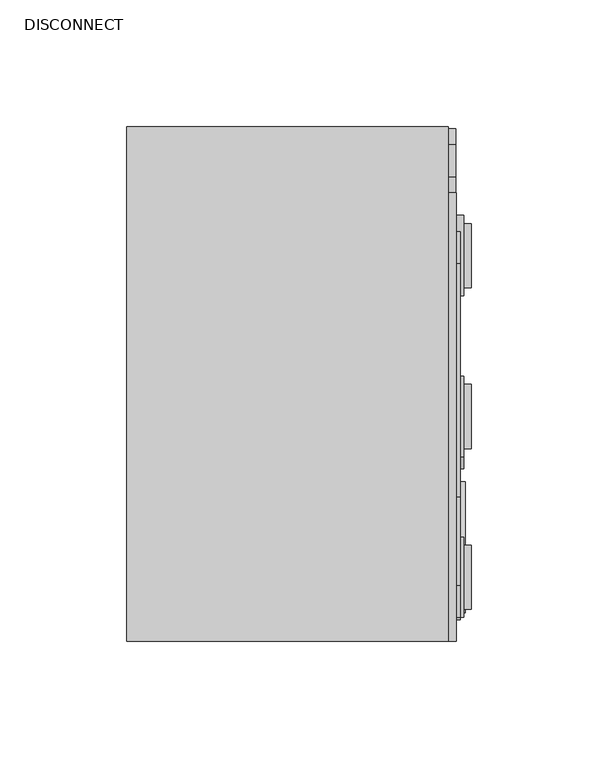
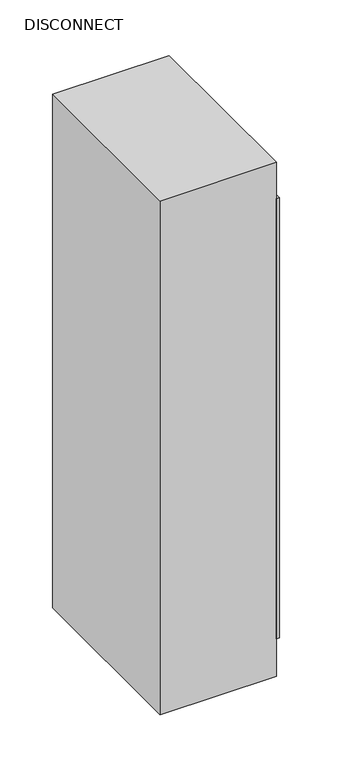
"""IFC4 building model written with IfcOpenShell, lengths in millimetres: proxy geometry, DISCONNECT."""

from ifc_helpers import new_model, si_unit, point, frame, frame_2d, origin, place, context, project, spatial, polyline, circle_curve, trimmed, segment, composite_curve, outline, extrude, source, transform, mapped, element, save


def disconnect_73e00d81(model_context):
    return source(origin(), model_context, "Body", "SweptSolid", [
        extrude(outline(composite_curve([segment(trimmed(circle_curve(frame_2d((95.0359845, 1472.4912783)), 6.35), [point((95.0359845, 1478.8412783))], [point((101.3859845, 1472.4912783))], False, "CARTESIAN"), True, "CONTINUOUS"), segment(polyline([(101.3859845, 1472.4912783), (101.3859845, 1434.3912783)]), True, "CONTINUOUS"), segment(trimmed(circle_curve(frame_2d((95.0359845, 1434.3912783)), 6.35), [point((101.3859845, 1434.3912783))], [point((95.0359845, 1428.0412783))], False, "CARTESIAN"), True, "CONTINUOUS"), segment(polyline([(95.0359845, 1428.0412783), (82.3359845, 1428.0412783)]), True, "CONTINUOUS"), segment(trimmed(circle_curve(frame_2d((82.3359845, 1434.3912783)), 6.35), [point((82.3359845, 1428.0412783))], [point((75.9859845, 1434.3912783))], False, "CARTESIAN"), True, "CONTINUOUS"), segment(polyline([(75.9859845, 1434.3912783), (75.9859845, 1472.4912783)]), True, "CONTINUOUS"), segment(trimmed(circle_curve(frame_2d((82.3359845, 1472.4912783)), 6.35), [point((75.9859845, 1472.4912783))], [point((82.3359845, 1478.8412783))], False, "CARTESIAN"), True, "CONTINUOUS"), segment(polyline([(82.3359845, 1478.8412783), (95.0359845, 1478.8412783)]), True, "CONTINUOUS")], self_intersect=False)), frame((117.348, 0.0, 0.0), z_axis=(1.0, 0.0, 0.0), x_axis=(0.0, 1.0, 0.0)), (0.0, 0.0, 1.0), 3.0349721),
        extrude(outline(composite_curve([segment(trimmed(circle_curve(frame_2d((117.7147493, 1240.1952866)), 144.7419511), [point((-19.0639488, 1287.5431498))], [point((-25.9770673, 1257.5991439))], True, "CARTESIAN"), True, "CONTINUOUS"), segment(polyline([(-25.9770673, 1257.5991439), (-18.0058751, 1267.0988408)]), True, "CONTINUOUS"), segment(trimmed(circle_curve(frame_2d((179.4975252, 1201.6111898)), 208.0774509), [point((-18.0058751, 1267.0988408))], [point((-26.7252518, 1229.331071))], True, "CARTESIAN"), True, "CONTINUOUS"), segment(polyline([(-26.7252518, 1229.331071), (-23.6317208, 1228.785598), (-29.5997187, 1222.3857039), (-31.4232983, 1230.1594634), (-28.808585, 1229.6984189)]), True, "CONTINUOUS"), segment(trimmed(circle_curve(frame_2d((111.3225602, 1226.8558251)), 140.1599736), [point((-28.808585, 1229.6984189))], [point((-26.5016803, 1252.3371305))], False, "CARTESIAN"), True, "CONTINUOUS"), segment(polyline([(-26.5016803, 1252.3371305), (-33.001951, 1244.9272152)]), True, "CONTINUOUS"), segment(trimmed(circle_curve(frame_2d((139.4220416, 1245.3854182)), 172.4246014), [point((-33.001951, 1244.9272152))], [point((-27.7693722, 1287.5431498))], False, "CARTESIAN"), True, "CONTINUOUS"), segment(polyline([(-27.7693722, 1287.5431498), (-19.0639488, 1287.5431498)]), True, "CONTINUOUS")], self_intersect=False)), frame((120.523, 0.0, 0.0), z_axis=(1.0, 0.0, 0.0), x_axis=(0.0, 1.0, 0.0)), (0.0, 0.0, 1.0), 3.0349721),
        extrude(outline(polyline([(122.1105, 60.6867601), (122.1105, -40.9132399), (120.523, -40.9132399), (120.523, 60.6867601), (122.1105, 60.6867601)])), frame((0.0, 0.0, 1218.1666269), z_axis=(0.0, 0.0, 1.0), x_axis=(1.0, 0.0, 0.0)), (0.0, 0.0, 1.0), 76.2),
        extrude(outline(polyline([(-89.7371396, 1150.7467846), (-63.9117703, 1195.4776364), (-38.0864009, 1150.7467846), (-89.7371396, 1150.7467846)]), holes=[polyline([(-86.9875089, 1152.3342846), (-40.8360316, 1152.3342846), (-63.9117703, 1192.3026364), (-86.9875089, 1152.3342846)])]), frame((120.523, 0.0, 0.0), z_axis=(1.0, 0.0, 0.0), x_axis=(0.0, 1.0, 0.0)), (0.0, 0.0, 1.0), 3.5043607),
        extrude(outline(composite_curve([segment(trimmed(circle_curve(frame_2d((-63.9117703, 1155.1387676)), 1.4917322), [point((-65.4035025, 1155.1387676))], [point((-62.420038, 1155.1387676))], False, "CARTESIAN"), True, "CONTINUOUS"), segment(trimmed(circle_curve(frame_2d((-63.9117703, 1155.1387676)), 1.4917322), [point((-62.420038, 1155.1387676))], [point((-65.4035025, 1155.1387676))], False, "CARTESIAN"), True, "CONTINUOUS")], self_intersect=False)), frame((120.523, 0.0, 0.0), z_axis=(1.0, 0.0, 0.0), x_axis=(0.0, 1.0, 0.0)), (0.0, 0.0, 1.0), 3.5043607),
        extrude(outline(composite_curve([segment(trimmed(circle_curve(frame_2d((-63.9117703, 1182.6735614)), 2.1742784), [point((-66.0860486, 1182.6735614))], [point((-61.7374919, 1182.6735614))], False, "CARTESIAN"), True, "CONTINUOUS"), segment(polyline([(-61.7374919, 1182.6735614), (-62.9227467, 1160.7801961)]), True, "CONTINUOUS"), segment(trimmed(circle_curve(frame_2d((-63.9117703, 1160.8337394)), 0.9904718), [point((-62.9227467, 1160.7801961))], [point((-64.9007938, 1160.7801961))], False, "CARTESIAN"), True, "CONTINUOUS"), segment(polyline([(-64.9007938, 1160.7801961), (-66.0860486, 1182.6735614)]), True, "CONTINUOUS")], self_intersect=False)), frame((120.523, 0.0, 0.0), z_axis=(1.0, 0.0, 0.0), x_axis=(0.0, 1.0, 0.0)), (0.0, 0.0, 1.0), 3.5043607),
        extrude(outline(polyline([(-63.9117703, 1198.6526364), (-35.3367703, 1149.1592846), (-92.4867703, 1149.1592846), (-63.9117703, 1198.6526364)])), frame((120.523, 0.0, 0.0), z_axis=(1.0, 0.0, 0.0), x_axis=(0.0, 1.0, 0.0)), (0.0, 0.0, 1.0), 1.5875),
        extrude(outline(polyline([(126.4248939, -63.1435414), (126.4248939, -88.5435414), (120.523, -88.5435414), (120.523, -63.1435414), (126.4248939, -63.1435414)])), frame((0.0, 0.0, 1385.9235618), z_axis=(0.0, 0.0, 1.0), x_axis=(1.0, 0.0, 0.0)), (0.0, 0.0, 1.0), 25.4),
        extrude(outline(polyline([(123.5579721, -59.9632399), (123.5579721, -91.7132399), (120.523, -91.7132399), (120.523, -59.9632399), (123.5579721, -59.9632399)])), frame((0.0, 0.0, 1383.2666269), z_axis=(0.0, 0.0, 1.0), x_axis=(1.0, 0.0, 0.0)), (0.0, 0.0, 1.0), 50.8),
        extrude(outline(polyline([(126.4248939, 0.3564586), (126.4248939, -25.0435414), (120.523, -25.0435414), (120.523, 0.3564586), (126.4248939, 0.3564586)])), frame((0.0, 0.0, 1385.9235618), z_axis=(0.0, 0.0, 1.0), x_axis=(1.0, 0.0, 0.0)), (0.0, 0.0, 1.0), 25.4),
        extrude(outline(polyline([(123.5579721, 3.5367601), (123.5579721, -28.2132399), (120.523, -28.2132399), (120.523, 3.5367601), (123.5579721, 3.5367601)])), frame((0.0, 0.0, 1383.2666269), z_axis=(0.0, 0.0, 1.0), x_axis=(1.0, 0.0, 0.0)), (0.0, 0.0, 1.0), 50.8),
        extrude(outline(polyline([(126.4248939, 63.8564586), (126.4248939, 38.4564586), (120.523, 38.4564586), (120.523, 63.8564586), (126.4248939, 63.8564586)])), frame((0.0, 0.0, 1385.9235618), z_axis=(0.0, 0.0, 1.0), x_axis=(1.0, 0.0, 0.0)), (0.0, 0.0, 1.0), 25.4),
        extrude(outline(polyline([(123.5579721, 67.0367601), (123.5579721, 35.2867601), (120.523, 35.2867601), (120.523, 67.0367601), (123.5579721, 67.0367601)])), frame((0.0, 0.0, 1383.2666269), z_axis=(0.0, 0.0, 1.0), x_axis=(1.0, 0.0, 0.0)), (0.0, 0.0, 1.0), 50.8),
        extrude(outline(polyline([(126.4248939, 63.8564586), (126.4248939, 38.4564586), (120.523, 38.4564586), (120.523, 63.8564586), (126.4248939, 63.8564586)])), frame((0.0, 0.0, 1462.1235618), z_axis=(0.0, 0.0, 1.0), x_axis=(1.0, 0.0, 0.0)), (0.0, 0.0, 1.0), 25.4),
        extrude(outline(polyline([(123.5579721, 67.0367601), (123.5579721, 35.2867601), (120.523, 35.2867601), (120.523, 67.0367601), (123.5579721, 67.0367601)])), frame((0.0, 0.0, 1459.4666269), z_axis=(0.0, 0.0, 1.0), x_axis=(1.0, 0.0, 0.0)), (0.0, 0.0, 1.0), 50.8),
        extrude(outline(polyline([(126.4248939, 0.3564586), (126.4248939, -25.0435414), (120.523, -25.0435414), (120.523, 0.3564586), (126.4248939, 0.3564586)])), frame((0.0, 0.0, 1462.1235618), z_axis=(0.0, 0.0, 1.0), x_axis=(1.0, 0.0, 0.0)), (0.0, 0.0, 1.0), 25.4),
        extrude(outline(polyline([(123.5579721, 3.5367601), (123.5579721, -28.2132399), (120.523, -28.2132399), (120.523, 3.5367601), (123.5579721, 3.5367601)])), frame((0.0, 0.0, 1459.4666269), z_axis=(0.0, 0.0, 1.0), x_axis=(1.0, 0.0, 0.0)), (0.0, 0.0, 1.0), 50.8),
        extrude(outline(polyline([(126.4248939, -63.1435414), (126.4248939, -88.5435414), (120.523, -88.5435414), (120.523, -63.1435414), (126.4248939, -63.1435414)])), frame((0.0, 0.0, 1462.1235618), z_axis=(0.0, 0.0, 1.0), x_axis=(1.0, 0.0, 0.0)), (0.0, 0.0, 1.0), 25.4),
        extrude(outline(polyline([(123.5579721, -59.9632399), (123.5579721, -91.7132399), (120.523, -91.7132399), (120.523, -59.9632399), (123.5579721, -59.9632399)])), frame((0.0, 0.0, 1459.4666269), z_axis=(0.0, 0.0, 1.0), x_axis=(1.0, 0.0, 0.0)), (0.0, 0.0, 1.0), 50.8),
        extrude(outline(composite_curve([segment(polyline([(-44.0882399, 1589.6416269), (-44.0882399, 1640.4416269), (47.9867601, 1640.4416269)]), True, "CONTINUOUS"), segment(trimmed(circle_curve(frame_2d((47.9867601, 1627.7416269)), 12.7), [point((47.9867601, 1640.4416269))], [point((60.6867601, 1627.7416269))], False, "CARTESIAN"), True, "CONTINUOUS"), segment(polyline([(60.6867601, 1627.7416269), (60.6867601, 1602.3416269)]), True, "CONTINUOUS"), segment(trimmed(circle_curve(frame_2d((47.9867601, 1602.3416269)), 12.7), [point((60.6867601, 1602.3416269))], [point((47.9867601, 1589.6416269))], False, "CARTESIAN"), True, "CONTINUOUS"), segment(polyline([(47.9867601, 1589.6416269), (-44.0882399, 1589.6416269)]), True, "CONTINUOUS")], self_intersect=False)), frame((120.523, 0.0, 0.0), z_axis=(1.0, 0.0, 0.0), x_axis=(0.0, 1.0, 0.0)), (0.0, 0.0, 1.0), 1.5875),
        extrude(outline(composite_curve([segment(polyline([(-44.0882399, 1589.6416269), (-79.0132399, 1589.6416269)]), True, "CONTINUOUS"), segment(trimmed(circle_curve(frame_2d((-79.0132399, 1602.3416269)), 12.7), [point((-79.0132399, 1589.6416269))], [point((-91.7132399, 1602.3416269))], False, "CARTESIAN"), True, "CONTINUOUS"), segment(polyline([(-91.7132399, 1602.3416269), (-91.7132399, 1627.7416269)]), True, "CONTINUOUS"), segment(trimmed(circle_curve(frame_2d((-79.0132399, 1627.7416269)), 12.7), [point((-91.7132399, 1627.7416269))], [point((-79.0132399, 1640.4416269))], False, "CARTESIAN"), True, "CONTINUOUS"), segment(polyline([(-79.0132399, 1640.4416269), (-44.0882399, 1640.4416269), (-44.0882399, 1589.6416269)]), True, "CONTINUOUS")], self_intersect=False)), frame((120.523, 0.0, 0.0), z_axis=(1.0, 0.0, 0.0), x_axis=(0.0, 1.0, 0.0)), (0.0, 0.0, 1.0), 1.5875),
        extrude(outline(polyline([(120.523, 75.9343596), (120.523, -101.0986765), (117.348, -101.0986765), (117.348, 75.9343596), (120.523, 75.9343596)])), frame((0.0, 0.0, 1143.0), z_axis=(0.0, 0.0, 1.0), x_axis=(1.0, 0.0, 0.0)), (0.0, 0.0, 1.0), 508.0),
        extrude(outline(polyline([(117.348, -101.0986765), (-9.652, -101.0986765), (-9.652, 102.1013235), (117.348, 102.1013235), (117.348, -101.0986765)])), frame((0.0, 0.0, 1099.9383135), z_axis=(0.0, 0.0, 1.0), x_axis=(1.0, 0.0, 0.0)), (0.0, 0.0, 1.0), 593.09),
    ])


if __name__ == "__main__":
    model = new_model("IFC4")
    model_context = context("Model", 3, world=origin())
    ifc_project = project(units=[si_unit("LENGTHUNIT", "METRE", prefix="MILLI")], contexts=[model_context])
    site = spatial("IfcSite", under=ifc_project)
    building = spatial("IfcBuilding", under=site)
    placement = place(None, origin())
    disconnect_shape = disconnect_73e00d81(model_context)
    element("IfcBuildingElementProxy", 1, Name="DISCONNECT", ObjectType="DISCONNECT", at=placement, inside=building, context=model_context, shape_type="MappedRepresentation", body=[
        mapped(disconnect_shape, transform((0.0, 0.0, 0.0), x_axis=(1.0, 0.0, 0.0), y_axis=(0.0, 1.0, 0.0), z_axis=(0.0, 0.0, 1.0))),
    ])
    save(model, "model.ifc")
